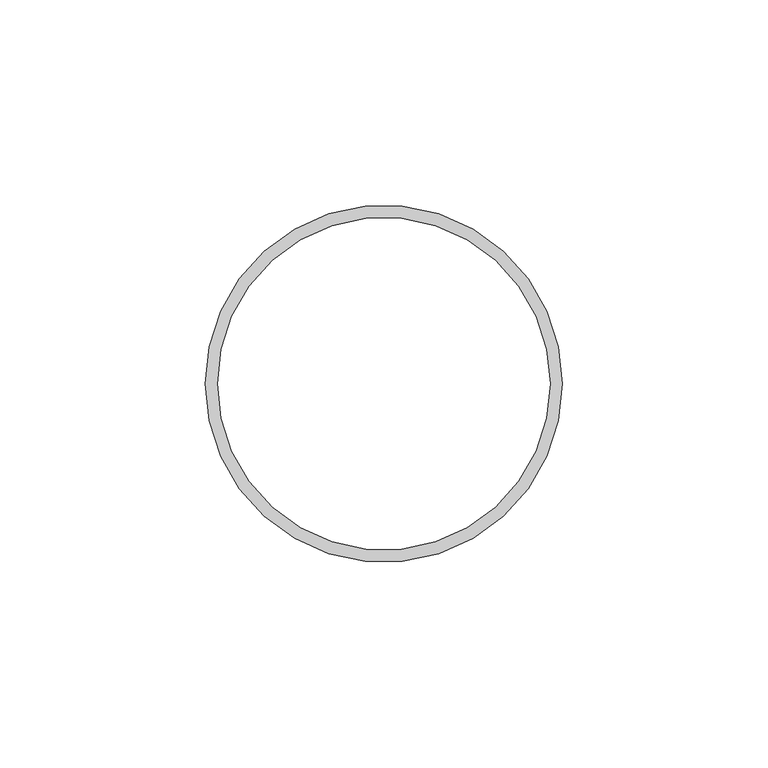
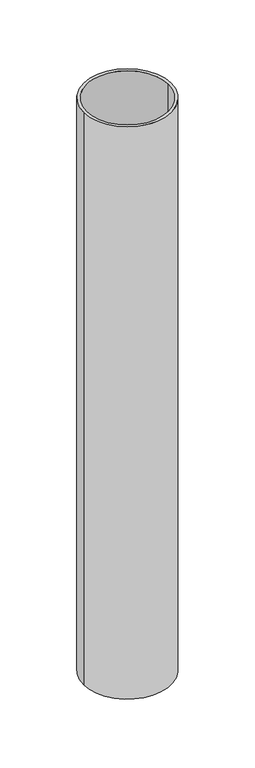
"""IFC4 building model written with IfcOpenShell, lengths in millimetres: beam geometry."""

from ifc_helpers import new_model, si_unit, point, frame, origin, origin_2d, place, context, project, spatial, circle_curve, trimmed, segment, composite_curve, outline, extrude, source, transform, mapped, element, save


def beam_df083176(model_context):
    return source(origin(), model_context, "Body", "SweptSolid", [
        extrude(outline(composite_curve([segment(trimmed(circle_curve(origin_2d(), 43.5), [point((43.5, 0.0))], [point((-43.5, 0.0))], False, "CARTESIAN"), True, "CONTINUOUS"), segment(trimmed(circle_curve(origin_2d(), 43.5), [point((-43.5, 0.0))], [point((43.5, 0.0))], False, "CARTESIAN"), True, "CONTINUOUS")], self_intersect=False), holes=[composite_curve([segment(trimmed(circle_curve(origin_2d(), 40.5), [point((40.5, 0.0))], [point((-40.5, 0.0))], True, "CARTESIAN"), True, "CONTINUOUS"), segment(trimmed(circle_curve(origin_2d(), 40.5), [point((-40.5, 0.0))], [point((40.5, 0.0))], True, "CARTESIAN"), True, "CONTINUOUS")], self_intersect=False)]), frame((0.0, 0.0, -600.0), z_axis=(0.0, 0.0, 1.0), x_axis=(1.0, 0.0, 0.0)), (0.0, 0.0, 1.0), 600.0),
    ])


if __name__ == "__main__":
    model = new_model("IFC4")
    model_context = context("Model", 3, world=origin())
    ifc_project = project(units=[si_unit("LENGTHUNIT", "METRE", prefix="MILLI")], contexts=[model_context])
    site = spatial("IfcSite", under=ifc_project)
    building = spatial("IfcBuilding", under=site)
    placement = place(None, origin())
    beam_shape = beam_df083176(model_context)
    element("IfcBeam", 1, at=placement, inside=building, context=model_context, shape_type="MappedRepresentation", body=[
        mapped(beam_shape, transform((0.0, 0.0, 0.0), x_axis=(1.0, 0.0, 0.0), y_axis=(0.0, 1.0, 0.0), z_axis=(0.0, 0.0, 1.0))),
    ])
    save(model, "model.ifc")
